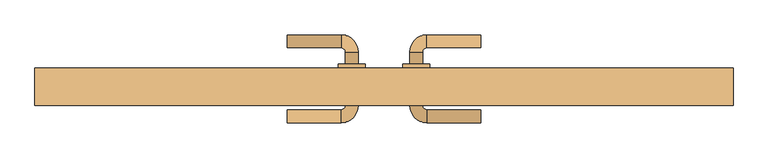
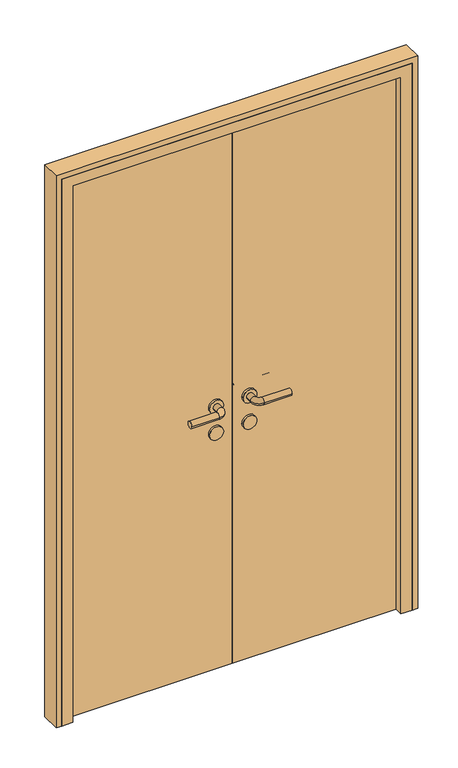
"""IFC4 building model written with IfcOpenShell, lengths in millimetres: door geometry."""

from ifc_helpers import new_model, si_unit, point, frame, frame_2d, origin, origin_with_axes, place, context, project, spatial, polyline, circle_curve, ellipse_curve, trimmed, segment, composite_curve, outline, extrude, faceted_brep, source, transform, mapped, element, save
from ifc_brep_helpers import plane_surface, cylinder_surface, revolved_surface, advanced_brep


def door_de93d816(model_context):
    return source(origin(), model_context, "Body", "SolidModel", [
        advanced_brep(
        [(-180.0, 187.0, 1000.0), (-180.0, 163.0, 1000.0), (-80.0, 163.0, 1000.0), (-80.0, 187.0, 1000.0), (-72.0, 155.0, 1000.0), (-48.0, 155.0, 1000.0), (-48.0, 55.0, 1000.0), (-48.0, 77.0, 1000.0), (-72.0, 77.0, 1000.0), (-72.0, 55.0, 1000.0), (-72.0, 133.0, 1000.0), (-48.0, 133.0, 1000.0), (-80.0, 47.0, 1000.0), (-80.0, 23.0, 1000.0), (-180.0, 23.0, 1000.0), (-180.0, 47.0, 1000.0), (-35.0, 133.0, 1000.0), (-85.0, 133.0, 1000.0), (-35.0, 77.0, 1000.0), (-85.0, 77.0, 1000.0)],
        [
            (0, 1, circle_curve(frame((-180.0, 175.0, 1000.0), z_axis=(-1.0, 0.0, 0.0), x_axis=(0.0, -1.0, 0.0)), 12.0)),
            (1, 0, circle_curve(frame((-180.0, 175.0, 1000.0), z_axis=(-1.0, 0.0, 0.0), x_axis=(0.0, -1.0, 0.0)), 12.0)),
            (1, 2),
            (2, 3, circle_curve(frame((-80.0, 175.0, 1000.0), z_axis=(-1.0, 0.0, 0.0), x_axis=(0.0, -1.0, 0.0)), 12.0)),
            (3, 0),
            (3, 2, circle_curve(frame((-80.0, 175.0, 1000.0), z_axis=(-1.0, 0.0, 0.0), x_axis=(0.0, -1.0, 0.0)), 12.0)),
            (2, 4, circle_curve(frame((-80.0, 155.0, 1000.0), z_axis=(0.0, 0.0, -1.0), x_axis=(0.0, 1.0, 0.0)), 8.0)),
            (4, 5, circle_curve(frame((-60.0, 155.0, 1000.0), z_axis=(0.0, 1.0, 0.0), x_axis=(-1.0, 0.0, 0.0)), 12.0)),
            (5, 3, circle_curve(frame((-80.0, 155.0, 1000.0), z_axis=(0.0, 0.0, 1.0), x_axis=(0.0, 1.0, 0.0)), 32.0)),
            (5, 4, circle_curve(frame((-60.0, 155.0, 1000.0), z_axis=(0.0, 1.0, 0.0), x_axis=(-1.0, 0.0, 0.0)), 12.0)),
            (6, 7),
            (7, 8, circle_curve(frame((-60.0, 77.0, 1000.0), z_axis=(0.0, -1.0, 0.0), x_axis=(-1.0, 0.0, 0.0)), 12.0)),
            (8, 9),
            (9, 6, circle_curve(frame((-60.0, 55.0, 1000.0), z_axis=(0.0, 1.0, 0.0), x_axis=(-1.0, 0.0, 0.0)), 12.0)),
            (4, 10),
            (10, 11, circle_curve(frame((-60.0, 133.0, 1000.0), z_axis=(0.0, 1.0, 0.0), x_axis=(-1.0, 0.0, 0.0)), 12.0)),
            (11, 5),
            (11, 10, circle_curve(frame((-60.0, 133.0, 1000.0), z_axis=(0.0, 1.0, 0.0), x_axis=(-1.0, 0.0, 0.0)), 12.0)),
            (8, 7, circle_curve(frame((-60.0, 77.0, 1000.0), z_axis=(0.0, -1.0, 0.0), x_axis=(-1.0, 0.0, 0.0)), 12.0)),
            (6, 9, circle_curve(frame((-60.0, 55.0, 1000.0), z_axis=(0.0, 1.0, 0.0), x_axis=(-1.0, 0.0, 0.0)), 12.0)),
            (9, 12, circle_curve(frame((-80.0, 55.0, 1000.0), z_axis=(0.0, 0.0, -1.0), x_axis=(1.0, 0.0, 0.0)), 8.0)),
            (12, 13, circle_curve(frame((-80.0, 35.0, 1000.0), z_axis=(1.0, 0.0, 0.0), x_axis=(0.0, 1.0, 0.0)), 12.0)),
            (13, 6, circle_curve(frame((-80.0, 55.0, 1000.0), z_axis=(0.0, 0.0, 1.0), x_axis=(1.0, 0.0, 0.0)), 32.0)),
            (13, 12, circle_curve(frame((-80.0, 35.0, 1000.0), z_axis=(1.0, 0.0, 0.0), x_axis=(0.0, 1.0, 0.0)), 12.0)),
            (14, 15, circle_curve(frame((-180.0, 35.0, 1000.0), z_axis=(-1.0, 0.0, 0.0), x_axis=(0.0, 1.0, 0.0)), 12.0)),
            (15, 14, circle_curve(frame((-180.0, 35.0, 1000.0), z_axis=(-1.0, 0.0, 0.0), x_axis=(0.0, 1.0, 0.0)), 12.0)),
            (12, 15),
            (14, 13),
            (16, 17, circle_curve(frame((-60.0, 133.0, 1000.0), z_axis=(0.0, 1.0, 0.0), x_axis=(-1.0, 0.0, 0.0)), 25.0)),
            (17, 16, circle_curve(frame((-60.0, 133.0, 1000.0), z_axis=(0.0, 1.0, 0.0), x_axis=(-1.0, 0.0, 0.0)), 25.0)),
            (18, 19, circle_curve(frame((-60.0, 77.0, 1000.0), z_axis=(0.0, -1.0, 0.0), x_axis=(-1.0, 0.0, 0.0)), 25.0)),
            (19, 18, circle_curve(frame((-60.0, 77.0, 1000.0), z_axis=(0.0, -1.0, 0.0), x_axis=(-1.0, 0.0, 0.0)), 25.0)),
            (16, 18),
            (19, 17),
        ],
        [
            plane_surface(frame((-180.0, 175.0, 1000.0), z_axis=(-1.0, 0.0, 0.0), x_axis=(0.0, 0.0, 1.0))),
            cylinder_surface(frame((-180.0, 175.0, 1000.0), z_axis=(-1.0, 0.0, 0.0), x_axis=(0.0, -1.0, 0.0)), 12.0),
            revolved_surface(trimmed(ellipse_curve(frame((-80.0, 175.0, 1000.0), z_axis=(1.0, 0.0, 0.0), x_axis=(0.0, -1.0, 0.0)), 12.0, 12.0), [point((-80.0, 187.0, 1000.0))], [point((-80.0, 163.0, 1000.0))], True, "CARTESIAN"), (-80.0, 155.0, 1000.0), (0.0, 0.0, 1.0)),
            revolved_surface(trimmed(ellipse_curve(frame((-80.0, 175.0, 1000.0), z_axis=(1.0, 0.0, 0.0), x_axis=(0.0, -1.0, 0.0)), 12.0, 12.0), [point((-80.0, 163.0, 1000.0))], [point((-80.0, 187.0, 1000.0))], True, "CARTESIAN"), (-80.0, 155.0, 1000.0), (0.0, 0.0, 1.0)),
            cylinder_surface(frame((-60.0, 155.0, 1000.0), z_axis=(0.0, 1.0, 0.0), x_axis=(-1.0, 0.0, 0.0)), 12.0),
            revolved_surface(trimmed(ellipse_curve(frame((-60.0, 55.0, 1000.0), z_axis=(0.0, -1.0, 0.0), x_axis=(-1.0, 0.0, 0.0)), 12.0, 12.0), [point((-48.0, 55.0, 1000.0))], [point((-72.0, 55.0, 1000.0))], True, "CARTESIAN"), (-80.0, 55.0, 1000.0), (0.0, 0.0, 1.0)),
            revolved_surface(trimmed(ellipse_curve(frame((-60.0, 55.0, 1000.0), z_axis=(0.0, -1.0, 0.0), x_axis=(-1.0, 0.0, 0.0)), 12.0, 12.0), [point((-72.0, 55.0, 1000.0))], [point((-48.0, 55.0, 1000.0))], True, "CARTESIAN"), (-80.0, 55.0, 1000.0), (0.0, 0.0, 1.0)),
            plane_surface(frame((-180.0, 35.0, 1000.0), z_axis=(-1.0, 0.0, 0.0), x_axis=(0.0, 0.0, 1.0))),
            cylinder_surface(frame((-80.0, 35.0, 1000.0), z_axis=(1.0, 0.0, 0.0), x_axis=(0.0, 1.0, 0.0)), 12.0),
            plane_surface(frame((-85.0, 133.0, 1000.0), z_axis=(0.0, 1.0, 0.0), x_axis=(0.0, 0.0, -1.0))),
            plane_surface(frame((-85.0, 77.0, 1000.0), z_axis=(0.0, -1.0, 0.0), x_axis=(0.0, 0.0, 1.0))),
            cylinder_surface(frame((-60.0, 133.0, 1000.0), z_axis=(0.0, -1.0, 0.0), x_axis=(-1.0, 0.0, 0.0)), 25.0),
        ],
        [
            (0, [[1, 2]]),
            (1, [[3, 4, 5, -2]]),
            (1, [[-5, 6, -3, -1]]),
            (2, [[7, 8, 9, -4]]),
            (3, [[-9, 10, -7, -6]]),
            (4, [[11, 12, 13, 14]]),
            (4, [[15, 16, 17, -8]]),
            (4, [[-17, 18, -15, -10]]),
            (4, [[-13, 19, -11, 20]]),
            (5, [[21, 22, 23, -14]]),
            (6, [[-23, 24, -21, -20]]),
            (7, [[25, 26]]),
            (8, [[27, -25, 28, -22]]),
            (8, [[-28, -26, -27, -24]]),
            (9, [[29, 30], [-18, -16]]),
            (10, [[31, 32], [-19, -12]]),
            (11, [[33, -32, 34, -29]]),
            (11, [[-34, -31, -33, -30]]),
        ],
    ),
        extrude(outline(composite_curve([segment(trimmed(circle_curve(frame_2d((900.0, -60.0)), 25.0), [point((900.0, -35.0))], [point((900.0, -85.0))], False, "CARTESIAN"), True, "CONTINUOUS"), segment(trimmed(circle_curve(frame_2d((900.0, -60.0)), 25.0), [point((900.0, -85.0))], [point((900.0, -35.0))], False, "CARTESIAN"), True, "CONTINUOUS")], self_intersect=False)), frame((0.0, 77.0, 0.0), z_axis=(0.0, 1.0, 0.0), x_axis=(0.0, 0.0, 1.0)), (0.0, 0.0, 1.0), 56.0),
        advanced_brep(
        [(180.0, 187.0, 1000.0), (180.0, 163.0, 1000.0), (80.0, 187.0, 1000.0), (80.0, 163.0, 1000.0), (48.0, 155.0, 1000.0), (72.0, 155.0, 1000.0), (48.0, 133.0, 1000.0), (72.0, 133.0, 1000.0), (48.0, 55.0, 1000.0), (72.0, 55.0, 1000.0), (72.0, 77.0, 1000.0), (48.0, 77.0, 1000.0), (80.0, 23.0, 1000.0), (80.0, 47.0, 1000.0), (180.0, 23.0, 1000.0), (180.0, 47.0, 1000.0), (35.0, 133.0, 1000.0), (85.0, 133.0, 1000.0), (35.0, 77.0, 1000.0), (85.0, 77.0, 1000.0)],
        [
            (0, 1, circle_curve(frame((180.0, 175.0, 1000.0), z_axis=(1.0, 0.0, 0.0), x_axis=(0.0, -1.0, 0.0)), 12.0)),
            (1, 0, circle_curve(frame((180.0, 175.0, 1000.0), z_axis=(1.0, 0.0, 0.0), x_axis=(0.0, -1.0, 0.0)), 12.0)),
            (0, 2),
            (2, 3, circle_curve(frame((80.0, 175.0, 1000.0), z_axis=(1.0, 0.0, 0.0), x_axis=(0.0, -1.0, 0.0)), 12.0)),
            (3, 1),
            (3, 2, circle_curve(frame((80.0, 175.0, 1000.0), z_axis=(1.0, 0.0, 0.0), x_axis=(0.0, -1.0, 0.0)), 12.0)),
            (2, 4, circle_curve(frame((80.0, 155.0, 1000.0), z_axis=(0.0, 0.0, 1.0), x_axis=(0.0, 1.0, 0.0)), 32.0)),
            (4, 5, circle_curve(frame((60.0, 155.0, 1000.0), z_axis=(0.0, 1.0, 0.0), x_axis=(1.0, 0.0, 0.0)), 12.0)),
            (5, 3, circle_curve(frame((80.0, 155.0, 1000.0), z_axis=(0.0, 0.0, -1.0), x_axis=(0.0, 1.0, 0.0)), 8.0)),
            (5, 4, circle_curve(frame((60.0, 155.0, 1000.0), z_axis=(0.0, 1.0, 0.0), x_axis=(1.0, 0.0, 0.0)), 12.0)),
            (4, 6),
            (6, 7, circle_curve(frame((60.0, 133.0, 1000.0), z_axis=(0.0, 1.0, 0.0), x_axis=(1.0, 0.0, 0.0)), 12.0)),
            (7, 5),
            (8, 9, circle_curve(frame((60.0, 55.0, 1000.0), z_axis=(0.0, 1.0, 0.0), x_axis=(1.0, 0.0, 0.0)), 12.0)),
            (9, 10),
            (10, 11, circle_curve(frame((60.0, 77.0, 1000.0), z_axis=(0.0, -1.0, 0.0), x_axis=(1.0, 0.0, 0.0)), 12.0)),
            (11, 8),
            (7, 6, circle_curve(frame((60.0, 133.0, 1000.0), z_axis=(0.0, 1.0, 0.0), x_axis=(1.0, 0.0, 0.0)), 12.0)),
            (9, 8, circle_curve(frame((60.0, 55.0, 1000.0), z_axis=(0.0, 1.0, 0.0), x_axis=(1.0, 0.0, 0.0)), 12.0)),
            (11, 10, circle_curve(frame((60.0, 77.0, 1000.0), z_axis=(0.0, -1.0, 0.0), x_axis=(1.0, 0.0, 0.0)), 12.0)),
            (8, 12, circle_curve(frame((80.0, 55.0, 1000.0), z_axis=(0.0, 0.0, 1.0), x_axis=(-1.0, 0.0, 0.0)), 32.0)),
            (12, 13, circle_curve(frame((80.0, 35.0, 1000.0), z_axis=(-1.0, 0.0, 0.0), x_axis=(0.0, 1.0, 0.0)), 12.0)),
            (13, 9, circle_curve(frame((80.0, 55.0, 1000.0), z_axis=(0.0, 0.0, -1.0), x_axis=(-1.0, 0.0, 0.0)), 8.0)),
            (13, 12, circle_curve(frame((80.0, 35.0, 1000.0), z_axis=(-1.0, 0.0, 0.0), x_axis=(0.0, 1.0, 0.0)), 12.0)),
            (14, 15, circle_curve(frame((180.0, 35.0, 1000.0), z_axis=(1.0, 0.0, 0.0), x_axis=(0.0, 1.0, 0.0)), 12.0)),
            (15, 14, circle_curve(frame((180.0, 35.0, 1000.0), z_axis=(1.0, 0.0, 0.0), x_axis=(0.0, 1.0, 0.0)), 12.0)),
            (12, 14),
            (15, 13),
            (16, 17, circle_curve(frame((60.0, 133.0, 1000.0), z_axis=(0.0, 1.0, 0.0), x_axis=(1.0, 0.0, 0.0)), 25.0)),
            (17, 16, circle_curve(frame((60.0, 133.0, 1000.0), z_axis=(0.0, 1.0, 0.0), x_axis=(1.0, 0.0, 0.0)), 25.0)),
            (18, 19, circle_curve(frame((60.0, 77.0, 1000.0), z_axis=(0.0, -1.0, 0.0), x_axis=(1.0, 0.0, 0.0)), 25.0)),
            (19, 18, circle_curve(frame((60.0, 77.0, 1000.0), z_axis=(0.0, -1.0, 0.0), x_axis=(1.0, 0.0, 0.0)), 25.0)),
            (17, 19),
            (18, 16),
        ],
        [
            plane_surface(frame((180.0, 175.0, 1000.0), z_axis=(1.0, 0.0, 0.0), x_axis=(0.0, 0.0, 1.0))),
            cylinder_surface(frame((180.0, 175.0, 1000.0), z_axis=(1.0, 0.0, 0.0), x_axis=(0.0, -1.0, 0.0)), 12.0),
            revolved_surface(trimmed(ellipse_curve(frame((80.0, 175.0, 1000.0), z_axis=(1.0, 0.0, 0.0), x_axis=(0.0, -1.0, 0.0)), 12.0, 12.0), [point((80.0, 187.0, 1000.0))], [point((80.0, 163.0, 1000.0))], True, "CARTESIAN"), (80.0, 155.0, 1000.0), (0.0, 0.0, 1.0)),
            revolved_surface(trimmed(ellipse_curve(frame((80.0, 175.0, 1000.0), z_axis=(1.0, 0.0, 0.0), x_axis=(0.0, -1.0, 0.0)), 12.0, 12.0), [point((80.0, 163.0, 1000.0))], [point((80.0, 187.0, 1000.0))], True, "CARTESIAN"), (80.0, 155.0, 1000.0), (0.0, 0.0, 1.0)),
            cylinder_surface(frame((60.0, 155.0, 1000.0), z_axis=(0.0, 1.0, 0.0), x_axis=(1.0, 0.0, 0.0)), 12.0),
            revolved_surface(trimmed(ellipse_curve(frame((60.0, 55.0, 1000.0), z_axis=(0.0, 1.0, 0.0), x_axis=(1.0, 0.0, 0.0)), 12.0, 12.0), [point((48.0, 55.0, 1000.0))], [point((72.0, 55.0, 1000.0))], True, "CARTESIAN"), (80.0, 55.0, 1000.0), (0.0, 0.0, 1.0)),
            revolved_surface(trimmed(ellipse_curve(frame((60.0, 55.0, 1000.0), z_axis=(0.0, 1.0, 0.0), x_axis=(1.0, 0.0, 0.0)), 12.0, 12.0), [point((72.0, 55.0, 1000.0))], [point((48.0, 55.0, 1000.0))], True, "CARTESIAN"), (80.0, 55.0, 1000.0), (0.0, 0.0, 1.0)),
            plane_surface(frame((180.0, 35.0, 1000.0), z_axis=(1.0, 0.0, 0.0), x_axis=(0.0, 0.0, 1.0))),
            cylinder_surface(frame((80.0, 35.0, 1000.0), z_axis=(-1.0, 0.0, 0.0), x_axis=(0.0, 1.0, 0.0)), 12.0),
            plane_surface(frame((85.0, 133.0, 1000.0), z_axis=(0.0, 1.0, 0.0), x_axis=(0.0, 0.0, -1.0))),
            plane_surface(frame((85.0, 77.0, 1000.0), z_axis=(0.0, -1.0, 0.0), x_axis=(0.0, 0.0, 1.0))),
            cylinder_surface(frame((60.0, 133.0, 1000.0), z_axis=(0.0, -1.0, 0.0), x_axis=(1.0, 0.0, 0.0)), 25.0),
        ],
        [
            (0, [[1, 2]]),
            (1, [[-1, 3, 4, 5]]),
            (1, [[-2, -5, 6, -3]]),
            (2, [[-4, 7, 8, 9]]),
            (3, [[-6, -9, 10, -7]]),
            (4, [[-8, 11, 12, 13]]),
            (4, [[14, 15, 16, 17]]),
            (4, [[-10, -13, 18, -11]]),
            (4, [[19, -17, 20, -15]]),
            (5, [[-14, 21, 22, 23]]),
            (6, [[-19, -23, 24, -21]]),
            (7, [[25, 26]]),
            (8, [[-22, 27, -26, 28]]),
            (8, [[-24, -28, -25, -27]]),
            (9, [[29, 30], [-12, -18]]),
            (10, [[31, 32], [-16, -20]]),
            (11, [[-30, 33, -31, 34]]),
            (11, [[-29, -34, -32, -33]]),
        ],
    ),
        extrude(outline(composite_curve([segment(trimmed(circle_curve(frame_2d((900.0, 60.0)), 25.0), [point((900.0, 35.0))], [point((900.0, 85.0))], False, "CARTESIAN"), True, "CONTINUOUS"), segment(trimmed(circle_curve(frame_2d((900.0, 60.0)), 25.0), [point((900.0, 85.0))], [point((900.0, 35.0))], False, "CARTESIAN"), True, "CONTINUOUS")], self_intersect=False)), frame((0.0, 77.0, 0.0), z_axis=(0.0, 1.0, 0.0), x_axis=(0.0, 0.0, 1.0)), (0.0, 0.0, 1.0), 56.0),
        extrude(outline(polyline([(0.0, 85.0), (-600.0, 85.0), (-600.0, 125.0), (0.0, 125.0), (0.0, 85.0)])), origin_with_axes(), (0.0, 0.0, 1.0), 2050.0),
        extrude(outline(polyline([(600.0, 85.0), (0.0, 85.0), (0.0, 125.0), (600.0, 125.0), (600.0, 85.0)])), origin_with_axes(), (0.0, 0.0, 1.0), 2050.0),
        extrude(outline(polyline([(0.0, 650.0), (2100.0, 650.0), (2100.0, -650.0), (0.0, -650.0), (0.0, -630.0), (2080.0, -630.0), (2080.0, 630.0), (0.0, 630.0), (0.0, 650.0)])), frame((0.0, 55.0, 0.0), z_axis=(0.0, 1.0, 0.0), x_axis=(0.0, 0.0, 1.0)), (0.0, 0.0, 1.0), 70.0),
        faceted_brep([(-630.0, 55.0, 0.0), (-630.0, 125.0, 0.0), (-600.0, 125.0, 0.0), (-600.0, 85.0, 0.0), (-590.0, 85.0, 0.0), (-590.0, 55.0, 0.0), (-630.0, 55.0, 2080.0), (-630.0, 125.0, 2080.0), (630.0, 125.0, 2080.0), (630.0, 125.0, 0.0), (600.0, 125.0, 0.0), (600.0, 125.0, 2050.0), (-600.0, 125.0, 2050.0), (-600.0, 85.0, 2050.0), (600.0, 85.0, 2050.0), (600.0, 85.0, 0.0), (590.0, 85.0, 0.0), (590.0, 85.0, 2040.0), (-590.0, 85.0, 2040.0), (-590.0, 55.0, 2040.0), (590.0, 55.0, 2040.0), (590.0, 55.0, 0.0), (630.0, 55.0, 0.0), (630.0, 55.0, 2080.0)], [[[0, 1, 2, 3, 4, 5]], [[1, 0, 6, 7]], [[2, 1, 7, 8, 9, 10, 11, 12]], [[3, 2, 12, 13]], [[4, 3, 13, 14, 15, 16, 17, 18]], [[5, 4, 18, 19]], [[0, 5, 19, 20, 21, 22, 23, 6]], [[7, 6, 23, 8]], [[13, 12, 11, 14]], [[19, 18, 17, 20]], [[22, 21, 16, 15, 10, 9]], [[8, 23, 22, 9]], [[14, 11, 10, 15]], [[20, 17, 16, 21]]]),
    ])


if __name__ == "__main__":
    model = new_model("IFC4")
    model_context = context("Model", 3, world=origin())
    ifc_project = project(units=[si_unit("LENGTHUNIT", "METRE", prefix="MILLI")], contexts=[model_context])
    site = spatial("IfcSite", under=ifc_project)
    building = spatial("IfcBuilding", under=site)
    placement = place(None, origin())
    door_shape = door_de93d816(model_context)
    element("IfcDoor", 1, at=placement, inside=building, context=model_context, shape_type="MappedRepresentation", body=[
        mapped(door_shape, transform((0.0, 0.0, 0.0), x_axis=(1.0, 0.0, 0.0), y_axis=(0.0, 1.0, 0.0), z_axis=(0.0, 0.0, 1.0))),
    ])
    save(model, "model.ifc")
